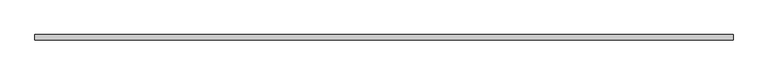
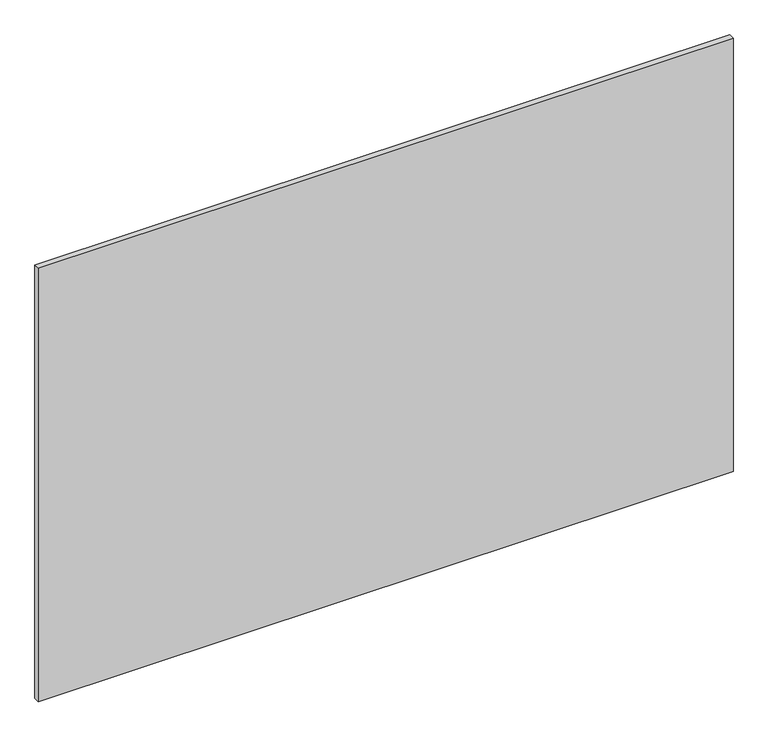
"""IFC4 building model written with IfcOpenShell, lengths in millimetres: plate geometry."""

from ifc_helpers import new_model, si_unit, origin, origin_with_axes, place, context, project, spatial, polyline, outline, extrude, source, transform, mapped, element, save


def plate_6f6e41ee(model_context):
    return source(origin(), model_context, "Body", "SweptSolid", [
        extrude(outline(polyline([(625.0, 5.0), (625.0, -5.0), (-625.0, -5.0), (-625.0, 5.0), (625.0, 5.0)])), origin_with_axes(), (0.0, 0.0, 1.0), 825.0),
    ])


if __name__ == "__main__":
    model = new_model("IFC4")
    model_context = context("Model", 3, world=origin())
    ifc_project = project(units=[si_unit("LENGTHUNIT", "METRE", prefix="MILLI")], contexts=[model_context])
    site = spatial("IfcSite", under=ifc_project)
    building = spatial("IfcBuilding", under=site)
    placement = place(None, origin())
    plate_shape = plate_6f6e41ee(model_context)
    element("IfcPlate", 1, at=placement, inside=building, context=model_context, shape_type="MappedRepresentation", body=[
        mapped(plate_shape, transform((0.0, 0.0, 0.0), x_axis=(1.0, 0.0, 0.0), y_axis=(0.0, 1.0, 0.0), z_axis=(0.0, 0.0, 1.0))),
    ])
    save(model, "model.ifc")
